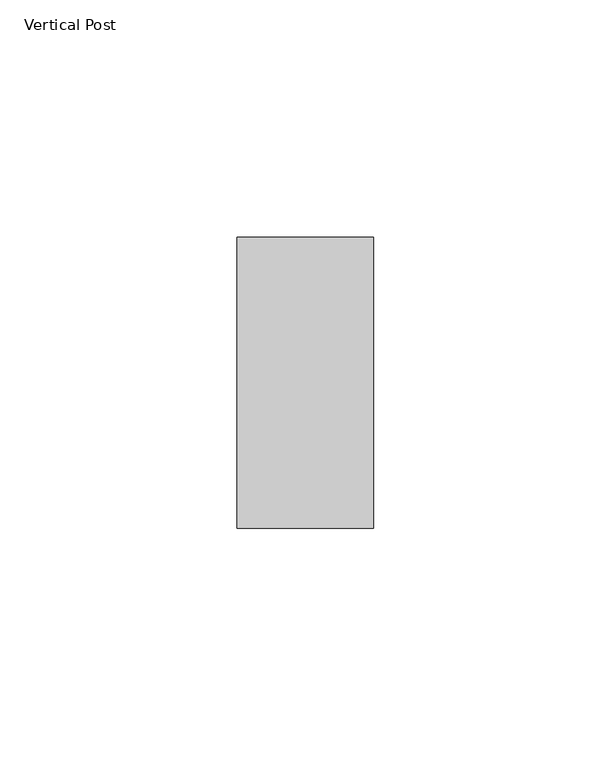
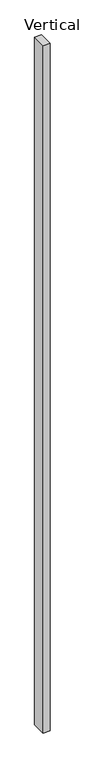
"""IFC4 building model written with IfcOpenShell, lengths in millimetres: proxy geometry, Vertical Post."""

from ifc_helpers import new_model, si_unit, origin, origin_with_axes, place, context, project, spatial, polyline, outline, extrude, source, transform, mapped, element, save


def vertical_post_fdc1ec64(model_context):
    return source(origin(), model_context, "Body", "SweptSolid", [
        extrude(outline(polyline([(252.3900638, -53.4745375), (252.3900638, 7.7140625), (281.0588394, 7.7140625), (281.0588394, -53.4745375), (252.3900638, -53.4745375)])), origin_with_axes(), (0.0, 0.0, 1.0), 3048.0),
    ])


if __name__ == "__main__":
    model = new_model("IFC4")
    model_context = context("Model", 3, world=origin())
    ifc_project = project(units=[si_unit("LENGTHUNIT", "METRE", prefix="MILLI")], contexts=[model_context])
    site = spatial("IfcSite", under=ifc_project)
    building = spatial("IfcBuilding", under=site)
    placement = place(None, origin())
    vertical_post_shape = vertical_post_fdc1ec64(model_context)
    element("IfcBuildingElementProxy", 1, Name="Vertical Post", ObjectType="Vertical Post", at=placement, inside=building, context=model_context, shape_type="MappedRepresentation", body=[
        mapped(vertical_post_shape, transform((0.0, 0.0, 0.0), x_axis=(1.0, 0.0, 0.0), y_axis=(0.0, 1.0, 0.0), z_axis=(0.0, 0.0, 1.0))),
    ])
    save(model, "model.ifc")
